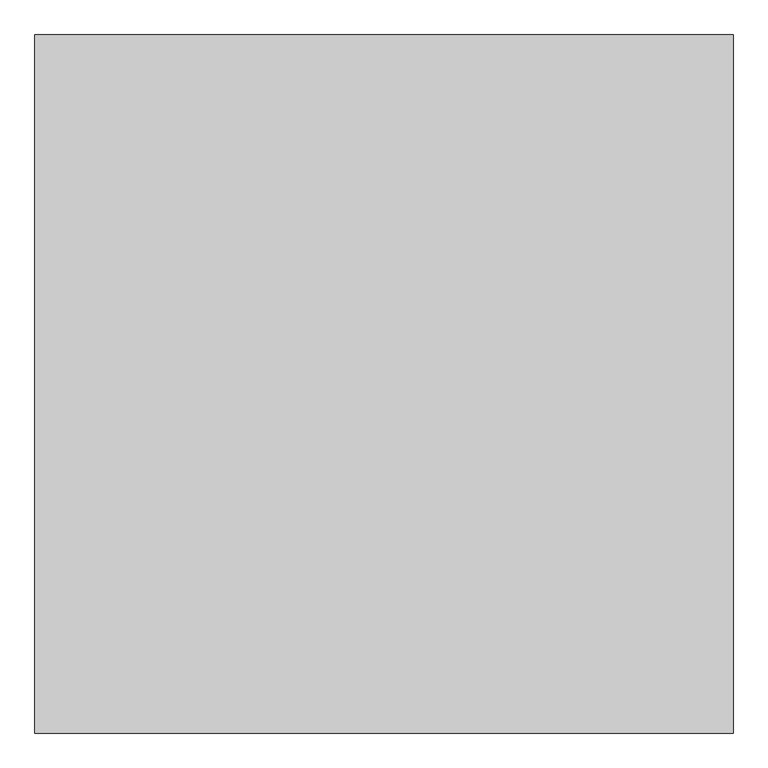
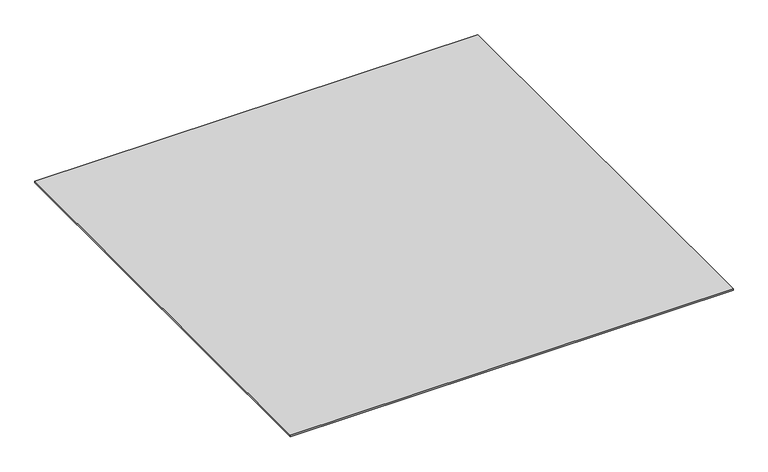
"""IFC4 building model written with IfcOpenShell, lengths in millimetres: proxy geometry."""

import ifcopenshell
import ifcopenshell.guid

model = None  # the IFC model being written
_history = None  # IfcOwnerHistory: only IFC2X3 demands one
_inside = {}  # id of a spatial element -> (the spatial element, [elements in it])
_under = {}  # id of a project, library or spatial element -> (it, [spatial elements below it])
_declared = {}  # id of a project -> (the project, [libraries it declares])
_typed = {}  # id of a type object -> (the type object, [elements of that type])
_made_of = {}  # id of a material, layer set ... -> (it, [elements and type objects made of it])


def new_model(schema):
    """Start an empty IFC model of exactly this schema.

    Asked for "IFC4X3", IfcOpenShell would pick the latest addendum, in which some entities
    have other attributes; the version numbers below select the first issue.
    IFC2X3 requires an IfcOwnerHistory on every rooted entity: one is made here for all.
    """
    global model, _history
    if schema == "IFC4X3":
        model = ifcopenshell.file(schema_version=(4, 3, 0, 0))
    else:
        model = ifcopenshell.file(schema=schema)
    _inside.clear()
    _under.clear()
    _declared.clear()
    _typed.clear()
    _made_of.clear()
    _history = None
    if model.schema == "IFC2X3":
        org = make("IfcOrganization", Name="unknown")
        user = make(
            "IfcPersonAndOrganization",
            ThePerson=make("IfcPerson", FamilyName="unknown"),
            TheOrganization=org,
        )
        app = make(
            "IfcApplication",
            ApplicationDeveloper=org,
            Version="unknown",
            ApplicationFullName="unknown",
            ApplicationIdentifier="unknown",
        )
        _history = make(
            "IfcOwnerHistory",
            OwningUser=user,
            OwningApplication=app,
            ChangeAction="ADDED",
            CreationDate=0,
        )
    return model


def make(cls, **values):
    """One entity of the class cls with the attributes given. An attribute that is None is left unset."""
    return model.create_entity(
        cls, **{name: value for name, value in values.items() if value is not None}
    )


def rooted(cls, **values):
    """An entity with a GlobalId (a new one), such as an element, a storey or a relation."""
    return make(cls, GlobalId=ifcopenshell.guid.new(), OwnerHistory=_history, **values)


def si_unit(unit_type, name, prefix=None):
    """IfcSIUnit, for example si_unit("LENGTHUNIT", "METRE", prefix="MILLI")."""
    return make("IfcSIUnit", UnitType=unit_type, Prefix=prefix, Name=name)


def assignment(units):
    """IfcUnitAssignment: the units of a project."""
    return None if units is None else make("IfcUnitAssignment", Units=units)


def point(xyz):
    """IfcCartesianPoint."""
    return None if xyz is None else make("IfcCartesianPoint", Coordinates=xyz)


def direction(xyz):
    """IfcDirection."""
    return None if xyz is None else make("IfcDirection", DirectionRatios=xyz)


def frame(location, z_axis=None, x_axis=None):
    """IfcAxis2Placement3D, a coordinate frame: its origin and axes. An axis left out is left unset."""
    return make(
        "IfcAxis2Placement3D",
        Location=point(location),
        Axis=direction(z_axis),
        RefDirection=direction(x_axis),
    )


def origin():
    """The frame at (0, 0, 0) with its axes left unset."""
    return frame((0.0, 0.0, 0.0))


def origin_with_axes():
    """The frame at (0, 0, 0) with the z axis (0, 0, 1) and the x axis (1, 0, 0) written out."""
    return frame((0.0, 0.0, 0.0), z_axis=(0.0, 0.0, 1.0), x_axis=(1.0, 0.0, 0.0))


def place(relative_to, where):
    """IfcLocalPlacement: puts the frame where relative to a parent placement (None: the world)."""
    return make(
        "IfcLocalPlacement", PlacementRelTo=relative_to, RelativePlacement=where
    )


def context(
    kind, dimensions, precision=None, world=None, true_north=None, identifier=None
):
    """IfcGeometricRepresentationContext, for example the 3D "Model" context."""
    return make(
        "IfcGeometricRepresentationContext",
        ContextIdentifier=identifier,
        ContextType=kind,
        CoordinateSpaceDimension=dimensions,
        Precision=precision,
        WorldCoordinateSystem=world,
        TrueNorth=true_north,
    )


def project(units=None, contexts=None):
    """IfcProject with its units and contexts."""
    return rooted(
        "IfcProject",
        Name="project",
        RepresentationContexts=contexts,
        UnitsInContext=assignment(units),
    )


def spatial(cls, under=None, at=None, **own):
    """A site, building, storey or space (cls), placed at a placement, below another one or the project."""
    s = rooted(cls, ObjectPlacement=at, **own)
    if under is not None:
        _under.setdefault(under.id(), (under, []))[1].append(s)
    return s


def polyline(points):
    """IfcPolyline through the points."""
    return make("IfcPolyline", Points=[point(p) for p in points])


def outline(outer, holes=None, kind="AREA"):
    """IfcArbitraryClosedProfileDef: a profile drawn as a closed curve; with holes, ...WithVoids."""
    if holes is None:
        return make("IfcArbitraryClosedProfileDef", ProfileType=kind, OuterCurve=outer)
    return make(
        "IfcArbitraryProfileDefWithVoids",
        ProfileType=kind,
        OuterCurve=outer,
        InnerCurves=holes,
    )


def extrude(swept, where, along, depth):
    """IfcExtrudedAreaSolid: the profile swept, set in the frame where, extruded along a direction by depth."""
    return make(
        "IfcExtrudedAreaSolid",
        SweptArea=swept,
        Position=where,
        ExtrudedDirection=direction(along),
        Depth=depth,
    )


def shape(context_of_items, identifier, shape_type, items):
    """IfcShapeRepresentation: the items that make up one representation, for example the "Body"."""
    return make(
        "IfcShapeRepresentation",
        ContextOfItems=context_of_items,
        RepresentationIdentifier=identifier,
        RepresentationType=shape_type,
        Items=items,
    )


def source(mapping_origin, context_of_items, identifier, shape_type, items):
    """IfcRepresentationMap: a shape defined once, which mapped items show again and again."""
    return make(
        "IfcRepresentationMap",
        MappingOrigin=mapping_origin,
        MappedRepresentation=shape(context_of_items, identifier, shape_type, items),
    )


def transform(
    local_origin,
    x_axis=None,
    y_axis=None,
    z_axis=None,
    scale=None,
    scale2=None,
    scale3=None,
    uniform=True,
):
    """IfcCartesianTransformationOperator3D, or its non-uniform kind. x_axis, y_axis, z_axis: its Axis1, 2, 3."""
    if uniform:
        return make(
            "IfcCartesianTransformationOperator3D",
            Axis1=direction(x_axis),
            Axis2=direction(y_axis),
            LocalOrigin=point(local_origin),
            Scale=scale,
            Axis3=direction(z_axis),
        )
    return make(
        "IfcCartesianTransformationOperator3DnonUniform",
        Axis1=direction(x_axis),
        Axis2=direction(y_axis),
        LocalOrigin=point(local_origin),
        Scale=scale,
        Axis3=direction(z_axis),
        Scale2=scale2,
        Scale3=scale3,
    )


def mapped(mapping_source, mapping_target):
    """IfcMappedItem: shows the shape of a source again, moved by a transform."""
    return make(
        "IfcMappedItem", MappingSource=mapping_source, MappingTarget=mapping_target
    )


def made_of(thing, what):
    """Note that an element or type object is made of a material, layer set ...; save() writes the relation."""
    if what is not None:
        _made_of.setdefault(what.id(), (what, []))[1].append(thing)
    return thing


def element(
    cls,
    number,
    at=None,
    inside=None,
    cuts=None,
    type_object=None,
    material=None,
    context=None,
    identifier="Body",
    shape_type=None,
    held_by="IfcProductDefinitionShape",
    body=None,
    shapes=None,
    **own,
):
    """One element of the class cls, such as IfcWall. Its Tag is "e" and its number.

    at: its placement. inside: the storey or other place that contains it. cuts: it is an
    opening in that element (IfcRelVoidsElement). A single representation is given by context,
    identifier, shape_type and body (its items); several are given by shapes. held_by: the class
    of the entity that holds the representations. save() writes the other relations.
    """
    e = rooted(cls, Tag="e%d" % number, ObjectPlacement=at, **own)
    if body is not None:
        shapes = [shape(context, identifier, shape_type, body)]
    if shapes is not None:
        e.Representation = make(held_by, Representations=shapes)
    if inside is not None:
        _inside.setdefault(inside.id(), (inside, []))[1].append(e)
    if cuts is not None:
        rooted(
            "IfcRelVoidsElement", RelatingBuildingElement=cuts, RelatedOpeningElement=e
        )
    if type_object is not None:
        _typed.setdefault(type_object.id(), (type_object, []))[1].append(e)
    return made_of(e, material)


def aggregate(whole, parts):
    """IfcRelAggregates: a whole, such as a stair, and the parts it consists of."""
    return rooted("IfcRelAggregates", RelatingObject=whole, RelatedObjects=parts)


def save(model, path):
    """Write the relations noted so far, then the file.

    IfcRelAggregates (storeys below a building ...), IfcRelContainedInSpatialStructure (elements
    in a storey), IfcRelDefinesByType, IfcRelAssociatesMaterial and IfcRelDeclares: one each for
    every whole, place, type object, material and project.
    """
    for whole, parts in _under.values():
        aggregate(whole, parts)
    for where, things in _inside.values():
        rooted(
            "IfcRelContainedInSpatialStructure",
            RelatedElements=things,
            RelatingStructure=where,
        )
    for kind, things in _typed.values():
        rooted("IfcRelDefinesByType", RelatedObjects=things, RelatingType=kind)
    for what, things in _made_of.values():
        rooted("IfcRelAssociatesMaterial", RelatedObjects=things, RelatingMaterial=what)
    for by, libraries in _declared.values():
        rooted("IfcRelDeclares", RelatingContext=by, RelatedDefinitions=libraries)
    model.write(path)


def generic_models_02f8284e(model_context):
    return source(origin(), model_context, "Body", "SweptSolid", [
        extrude(outline(polyline([(7403.0762132, -28787.355679), (7403.0762132, -29787.355679), (6403.0762132, -29787.355679), (6403.0762132, -28787.355679), (7403.0762132, -28787.355679)])), origin_with_axes(), (0.0, 0.0, 1.0), 3.0),
    ])


if __name__ == "__main__":
    model = new_model("IFC4")
    model_context = context("Model", 3, world=origin())
    ifc_project = project(units=[si_unit("LENGTHUNIT", "METRE", prefix="MILLI")], contexts=[model_context])
    site = spatial("IfcSite", under=ifc_project)
    building = spatial("IfcBuilding", under=site)
    placement = place(None, origin())
    generic_models_shape = generic_models_02f8284e(model_context)
    element("IfcBuildingElementProxy", 1, Name="Generic Models", at=placement, inside=building, context=model_context, shape_type="MappedRepresentation", body=[
        mapped(generic_models_shape, transform((0.0, 0.0, 0.0), x_axis=(1.0, 0.0, 0.0), y_axis=(0.0, 1.0, 0.0), z_axis=(0.0, 0.0, 1.0))),
    ])
    save(model, "model.ifc")
